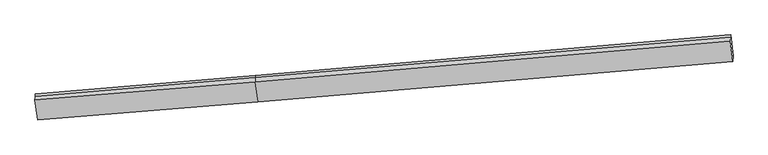
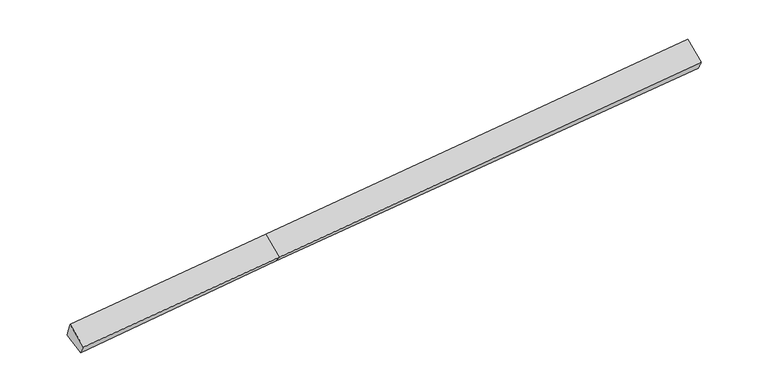
"""IFC4 building model written with IfcOpenShell, lengths in millimetres: proxy geometry."""

from ifc_helpers import new_model, si_unit, frame, origin, place, context, project, spatial, source, transform, mapped, element, save
from ifc_brep_helpers import plane_surface, spline_surface, advanced_brep


def generic_models_198662ca(model_context):
    return source(origin(), model_context, "Body", "AdvancedBrep", [
        advanced_brep(
        [(-9321.3071438, -2159.8555399, 1300.0328976), (-9327.6384718, -2229.503724, 1496.7858194), (-2623.662729, -1657.9951103, 1894.4725698), (-2618.0666657, -1596.4352527, 1720.5687992), (-9252.2060146, -2802.8909252, 1076.3878595), (-2553.2510785, -2190.727665, 1498.6429099), (-9256.3775587, -2956.5743191, 1353.8071537), (-2552.275839, -2404.1849419, 1775.6911517), (-9336.71293, -2343.4487182, 1798.1439452), (-2632.6112103, -1791.059341, 2220.0279432), (11926.4644129, -1163.1236324, 2680.9245722), (11931.6216146, -999.7173787, 2374.4102998), (11860.9798485, -352.004885, 2616.2847847), (11855.0775228, -416.9338008, 2799.7059903), (11846.1290415, -549.9980315, 3125.2613636)],
        [
            (0, 1),
            (1, 2),
            (2, 3),
            (3, 0),
            (4, 0),
            (0, 5),
            (5, 4),
            (6, 4),
            (5, 7),
            (7, 6),
            (8, 6),
            (7, 9),
            (9, 8),
            (1, 8),
            (9, 2),
            (10, 11),
            (11, 12),
            (12, 13),
            (13, 14),
            (14, 10),
            (3, 5),
            (5, 11),
            (10, 7),
            (3, 12),
            (2, 13),
            (9, 14),
        ],
        [
            plane_surface(frame((-9324.4728078, -2194.679632, 1398.4093585), z_axis=(-0.09957677771341342, 0.9389986185547464, 0.32919000545656196), x_axis=(-0.03032063447234686, -0.3335441040383971, 0.9422467775410098))),
            plane_surface(frame((-9286.7565792, -2481.3732326, 1188.2103786), z_axis=(0.029186759538893912, 0.33115174309991635, -0.9431260022444009), x_axis=(-0.10097858714690476, 0.9396779110687002, 0.32681607730859713))),
            spline_surface(1, 1, [[(-9256.3775587, -2956.5743191, 1353.8071537), (-2552.275839, -2404.1849419, 1775.6911517)], [(-9252.2060146, -2802.8909252, 1076.3878595), (-2553.2510785, -2190.727665, 1498.6429099)]], [2, 2], [2, 2], [0.0, 1.0], [0.0, 1.0]),
            plane_surface(frame((-9296.5452443, -2650.0115186, 1575.9755495), z_axis=(-0.00257607363279036, -0.5870317120413175, 0.8095598389881248), x_axis=(0.1055026142819537, -0.8052038933560208, -0.583537392549937))),
            spline_surface(1, 1, [[(-9327.6384718, -2229.503724, 1496.7858194), (-2623.662729, -1657.9951103, 1894.4725698)], [(-9336.71293, -2343.4487182, 1798.1439452), (-2632.6112103, -1791.059341, 2220.0279432)]], [2, 2], [2, 2], [0.0, 1.0], [0.0, 1.0]),
            plane_surface(frame((11884.0544881, -696.3555457, 2719.3174021), z_axis=(0.9944189733416995, 0.08523772729848077, 0.06217262502927091), x_axis=(0.014845605212997277, 0.47038391539208, -0.8823369991937754))),
            plane_surface(frame((-9298.8484238, -2498.4546453, 1405.0315351), z_axis=(-0.9944189733416992, -0.08523772729846835, -0.06217262502929373), x_axis=(0.030320634472367432, 0.3335441040383981, -0.9422467775410088))),
            plane_surface(frame((-9321.3071438, -2159.8555399, 1300.0328976), z_axis=(0.02905649167409524, 0.35246455842340485, -0.9353739655063036), x_axis=(-0.10164282897494017, 0.9319604224815436, 0.34802084168335934))),
            spline_surface(1, 1, [[(-2552.275839, -2404.1849419, 1775.6911517), (11926.4644129, -1163.1236324, 2680.9245722)], [(-2553.2510785, -2190.727665, 1498.6429099), (11931.6216146, -999.7173787, 2374.4102998)]], [2, 2], [2, 2], [0.0, 1.0], [0.0, 1.0]),
            plane_surface(frame((-2585.6588721, -1893.5814588, 1609.6058545), z_axis=(0.027588190091011797, 0.35233872440892866, -0.9354658278362664), x_axis=(-0.1016428289749439, 0.9319604224815411, 0.3480208416833652))),
            plane_surface(frame((-2620.8646974, -1627.2151815, 1807.5206845), z_axis=(-0.10105228638301708, 0.9388731865945547, 0.32909812352936874), x_axis=(-0.030320634472349672, -0.33354410403839707, 0.9422467775410098))),
            plane_surface(frame((-2628.1369697, -1724.5272256, 2057.2502565), z_axis=(-0.10239115997517304, 0.9217814215761151, 0.37394526497343844), x_axis=(-0.02543532616224716, -0.37822419367632587, 0.9253645246609107))),
            plane_surface(frame((-2592.4435246, -2097.6221414, 1997.8595475), z_axis=(-0.0003222385990994808, -0.5868400292833461, 0.8097028320272858), x_axis=(0.10550261428195352, -0.8052038933560314, -0.5835373925499224))),
        ],
        [
            (0, [[1, 2, 3, 4]]),
            (1, [[5, 6, 7]]),
            (2, [[8, -7, 9, 10]]),
            (3, [[11, -10, 12, 13]]),
            (4, [[14, -13, 15, -2]]),
            (5, [[16, 17, 18, 19, 20]]),
            (6, [[-1, -5, -8, -11, -14]]),
            (7, [[21, -6, -4]]),
            (8, [[-9, 22, -16, 23]]),
            (9, [[-21, 24, -17, -22]]),
            (10, [[-3, 25, -18, -24]]),
            (11, [[-15, 26, -19, -25]]),
            (12, [[-12, -23, -20, -26]]),
        ],
    ),
    ])


if __name__ == "__main__":
    model = new_model("IFC4")
    model_context = context("Model", 3, world=origin())
    ifc_project = project(units=[si_unit("LENGTHUNIT", "METRE", prefix="MILLI")], contexts=[model_context])
    site = spatial("IfcSite", under=ifc_project)
    building = spatial("IfcBuilding", under=site)
    placement = place(None, origin())
    generic_models_shape = generic_models_198662ca(model_context)
    element("IfcBuildingElementProxy", 1, Name="Generic Models", at=placement, inside=building, context=model_context, shape_type="MappedRepresentation", body=[
        mapped(generic_models_shape, transform((0.0, 0.0, 0.0), x_axis=(1.0, 0.0, 0.0), y_axis=(0.0, 1.0, 0.0), z_axis=(0.0, 0.0, 1.0))),
    ])
    save(model, "model.ifc")
